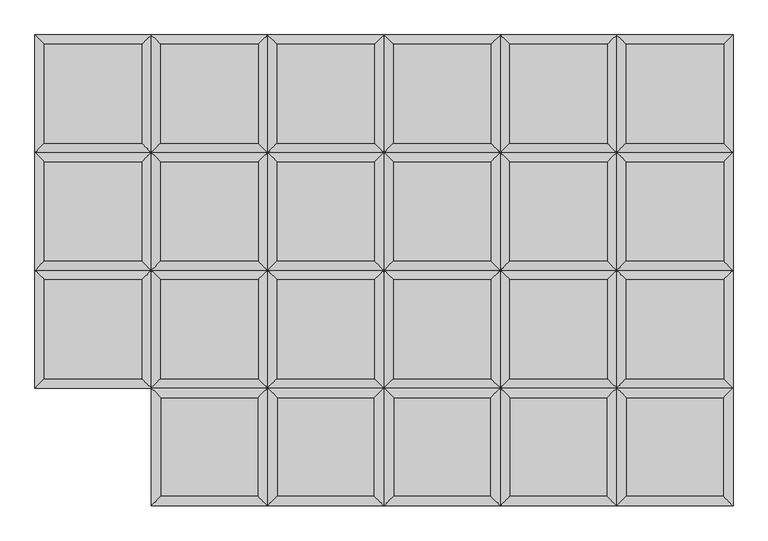
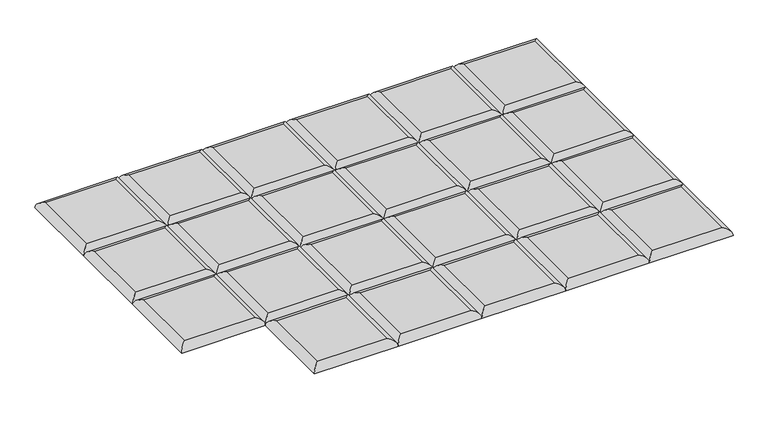
"""IFC4 building model written with IfcOpenShell, lengths in millimetres: furniture geometry."""

from ifc_helpers import new_model, si_unit, frame, origin, place, context, project, spatial, ellipse_curve, source, transform, mapped, element, save
from ifc_brep_helpers import plane_surface, cylinder_surface, advanced_brep


def furniture_bdf31593(model_context):
    return source(origin(), model_context, "Body", "AdvancedBrep", [
        advanced_brep(
        [(860.8794878, -204.2894878, 411.6605122), (860.8794878, -17.9605122, 411.6605122), (677.0905122, -17.9605122, 411.6605122), (677.0905122, -204.2894878, 411.6605122), (878.84, 0.0, 393.7), (878.84, -222.25, 393.7), (659.13, -222.25, 393.7), (659.13, 0.0, 393.7)],
        [
            (0, 1),
            (1, 2),
            (2, 3),
            (3, 0),
            (4, 5),
            (5, 6),
            (6, 7),
            (7, 4),
            (4, 1, ellipse_curve(frame((860.8794878, -17.9605122, 393.7), z_axis=(0.7071067811865475, -0.7071067811865475, 0.0), x_axis=(0.7071067811865474, 0.7071067811865476, 0.0)), 25.4, 17.9605122)),
            (0, 5, ellipse_curve(frame((860.8794878, -204.2894878, 393.7), z_axis=(0.7071067811865475, 0.7071067811865475, 0.0), x_axis=(-0.7071067811865474, 0.7071067811865476, 0.0)), 25.4, 17.9605122)),
            (3, 6, ellipse_curve(frame((677.0905122, -204.2894878, 393.7), z_axis=(0.7071067811865475, -0.7071067811865475, 0.0), x_axis=(0.7071067811865476, 0.7071067811865474, 0.0)), 25.4, 17.9605122)),
            (2, 7, ellipse_curve(frame((677.0905122, -17.9605122, 393.7), z_axis=(-0.7071067811865475, -0.7071067811865475, 0.0), x_axis=(0.7071067811865474, -0.7071067811865476, 0.0)), 25.4, 17.9605122)),
        ],
        [
            plane_surface(frame((677.0905122, -17.9605122, 411.6605122), z_axis=(0.0, 0.0, 1.0), x_axis=(-1.0, 0.0, 0.0))),
            plane_surface(frame((677.0905122, -17.9605122, 393.7), z_axis=(0.0, 0.0, -1.0), x_axis=(1.0, 0.0, 0.0))),
            cylinder_surface(frame((860.8794878, 0.0, 393.7), z_axis=(0.0, 1.0, 0.0), x_axis=(1.0, 0.0, 0.0)), 17.9605122),
            cylinder_surface(frame((878.84, -204.2894878, 393.7), z_axis=(1.0, 0.0, 0.0), x_axis=(0.0, -1.0, 0.0)), 17.9605122),
            cylinder_surface(frame((677.0905122, -222.25, 393.7), z_axis=(0.0, -1.0, 0.0), x_axis=(-1.0, 0.0, 0.0)), 17.9605122),
            cylinder_surface(frame((659.13, -17.9605122, 393.7), z_axis=(-1.0, 0.0, 0.0), x_axis=(0.0, 1.0, 0.0)), 17.9605122),
        ],
        [
            (0, [[1, 2, 3, 4]]),
            (1, [[5, 6, 7, 8]]),
            (2, [[9, -1, 10, -5]]),
            (3, [[-10, -4, 11, -6]]),
            (4, [[-11, -3, 12, -7]]),
            (5, [[-9, -8, -12, -2]]),
        ],
    ),
        advanced_brep(
        [(860.8794878, 17.9605122, 411.6605122), (860.8794878, 204.2894878, 411.6605122), (677.0905122, 204.2894878, 411.6605122), (677.0905122, 17.9605122, 411.6605122), (878.84, 222.25, 393.7), (878.84, 0.0, 393.7), (659.13, 0.0, 393.7), (659.13, 222.25, 393.7)],
        [
            (0, 1),
            (1, 2),
            (2, 3),
            (3, 0),
            (4, 5),
            (5, 6),
            (6, 7),
            (7, 4),
            (4, 1, ellipse_curve(frame((860.8794878, 204.2894878, 393.7), z_axis=(0.7071067811865475, -0.7071067811865475, 0.0), x_axis=(0.7071067811865474, 0.7071067811865476, 0.0)), 25.4, 17.9605122)),
            (0, 5, ellipse_curve(frame((860.8794878, 17.9605122, 393.7), z_axis=(0.7071067811865475, 0.7071067811865475, 0.0), x_axis=(-0.7071067811865474, 0.7071067811865476, 0.0)), 25.4, 17.9605122)),
            (3, 6, ellipse_curve(frame((677.0905122, 17.9605122, 393.7), z_axis=(0.7071067811865475, -0.7071067811865475, 0.0), x_axis=(0.7071067811865476, 0.7071067811865474, 0.0)), 25.4, 17.9605122)),
            (2, 7, ellipse_curve(frame((677.0905122, 204.2894878, 393.7), z_axis=(-0.7071067811865475, -0.7071067811865475, 0.0), x_axis=(0.7071067811865474, -0.7071067811865476, 0.0)), 25.4, 17.9605122)),
        ],
        [
            plane_surface(frame((677.0905122, 204.2894878, 411.6605122), z_axis=(0.0, 0.0, 1.0), x_axis=(-1.0, 0.0, 0.0))),
            plane_surface(frame((677.0905122, 204.2894878, 393.7), z_axis=(0.0, 0.0, -1.0), x_axis=(1.0, 0.0, 0.0))),
            cylinder_surface(frame((860.8794878, 222.25, 393.7), z_axis=(0.0, 1.0, 0.0), x_axis=(1.0, 0.0, 0.0)), 17.9605122),
            cylinder_surface(frame((878.84, 17.9605122, 393.7), z_axis=(1.0, 0.0, 0.0), x_axis=(0.0, -1.0, 0.0)), 17.9605122),
            cylinder_surface(frame((677.0905122, 0.0, 393.7), z_axis=(0.0, -1.0, 0.0), x_axis=(-1.0, 0.0, 0.0)), 17.9605122),
            cylinder_surface(frame((659.13, 204.2894878, 393.7), z_axis=(-1.0, 0.0, 0.0), x_axis=(0.0, 1.0, 0.0)), 17.9605122),
        ],
        [
            (0, [[1, 2, 3, 4]]),
            (1, [[5, 6, 7, 8]]),
            (2, [[9, -1, 10, -5]]),
            (3, [[-10, -4, 11, -6]]),
            (4, [[-11, -3, 12, -7]]),
            (5, [[-9, -8, -12, -2]]),
        ],
    ),
        advanced_brep(
        [(860.8794878, 240.2105122, 411.6605122), (860.8794878, 426.5394878, 411.6605122), (677.0905122, 426.5394878, 411.6605122), (677.0905122, 240.2105122, 411.6605122), (878.84, 444.5, 393.7), (878.84, 222.25, 393.7), (659.13, 222.25, 393.7), (659.13, 444.5, 393.7)],
        [
            (0, 1),
            (1, 2),
            (2, 3),
            (3, 0),
            (4, 5),
            (5, 6),
            (6, 7),
            (7, 4),
            (4, 1, ellipse_curve(frame((860.8794878, 426.5394878, 393.7), z_axis=(0.7071067811865475, -0.7071067811865475, 0.0), x_axis=(0.7071067811865474, 0.7071067811865476, 0.0)), 25.4, 17.9605122)),
            (0, 5, ellipse_curve(frame((860.8794878, 240.2105122, 393.7), z_axis=(0.7071067811865475, 0.7071067811865475, 0.0), x_axis=(-0.7071067811865474, 0.7071067811865476, 0.0)), 25.4, 17.9605122)),
            (3, 6, ellipse_curve(frame((677.0905122, 240.2105122, 393.7), z_axis=(0.7071067811865475, -0.7071067811865475, 0.0), x_axis=(0.7071067811865476, 0.7071067811865474, 0.0)), 25.4, 17.9605122)),
            (2, 7, ellipse_curve(frame((677.0905122, 426.5394878, 393.7), z_axis=(-0.7071067811865475, -0.7071067811865475, 0.0), x_axis=(0.7071067811865474, -0.7071067811865476, 0.0)), 25.4, 17.9605122)),
        ],
        [
            plane_surface(frame((677.0905122, 426.5394878, 411.6605122), z_axis=(0.0, 0.0, 1.0), x_axis=(-1.0, 0.0, 0.0))),
            plane_surface(frame((677.0905122, 426.5394878, 393.7), z_axis=(0.0, 0.0, -1.0), x_axis=(1.0, 0.0, 0.0))),
            cylinder_surface(frame((860.8794878, 444.5, 393.7), z_axis=(0.0, 1.0, 0.0), x_axis=(1.0, 0.0, 0.0)), 17.9605122),
            cylinder_surface(frame((878.84, 240.2105122, 393.7), z_axis=(1.0, 0.0, 0.0), x_axis=(0.0, -1.0, 0.0)), 17.9605122),
            cylinder_surface(frame((677.0905122, 222.25, 393.7), z_axis=(0.0, -1.0, 0.0), x_axis=(-1.0, 0.0, 0.0)), 17.9605122),
            cylinder_surface(frame((659.13, 426.5394878, 393.7), z_axis=(-1.0, 0.0, 0.0), x_axis=(0.0, 1.0, 0.0)), 17.9605122),
        ],
        [
            (0, [[1, 2, 3, 4]]),
            (1, [[5, 6, 7, 8]]),
            (2, [[9, -1, 10, -5]]),
            (3, [[-10, -4, 11, -6]]),
            (4, [[-11, -3, 12, -7]]),
            (5, [[-9, -8, -12, -2]]),
        ],
    ),
        advanced_brep(
        [(878.84, -222.25, 393.7), (860.8794878, -240.2105122, 411.6605122), (860.8794878, -426.5394878, 411.6605122), (878.84, -444.5, 393.7), (677.0905122, -426.5394878, 411.6605122), (659.13, -444.5, 393.7), (677.0905122, -240.2105122, 411.6605122), (659.13, -222.25, 393.7)],
        [
            (0, 1, ellipse_curve(frame((860.8794878, -240.2105122, 393.7), z_axis=(0.7071067811865475, -0.7071067811865475, 0.0), x_axis=(0.7071067811865474, 0.7071067811865476, 0.0)), 25.4, 17.9605122)),
            (1, 2),
            (2, 3, ellipse_curve(frame((860.8794878, -426.5394878, 393.7), z_axis=(0.7071067811865475, 0.7071067811865475, 0.0), x_axis=(-0.7071067811865474, 0.7071067811865476, 0.0)), 25.4, 17.9605122)),
            (3, 0),
            (2, 4),
            (4, 5, ellipse_curve(frame((677.0905122, -426.5394878, 393.7), z_axis=(0.7071067811865475, -0.7071067811865475, 0.0), x_axis=(0.7071067811865476, 0.7071067811865474, 0.0)), 25.4, 17.9605122)),
            (5, 3),
            (4, 6),
            (6, 7, ellipse_curve(frame((677.0905122, -240.2105122, 393.7), z_axis=(-0.7071067811865475, -0.7071067811865475, 0.0), x_axis=(0.7071067811865474, -0.7071067811865476, 0.0)), 25.4, 17.9605122)),
            (7, 5),
            (0, 7),
            (6, 1),
        ],
        [
            cylinder_surface(frame((860.8794878, -222.25, 393.7), z_axis=(0.0, 1.0, 0.0), x_axis=(1.0, 0.0, 0.0)), 17.9605122),
            cylinder_surface(frame((878.84, -426.5394878, 393.7), z_axis=(1.0, 0.0, 0.0), x_axis=(0.0, -1.0, 0.0)), 17.9605122),
            cylinder_surface(frame((677.0905122, -444.5, 393.7), z_axis=(0.0, -1.0, 0.0), x_axis=(-1.0, 0.0, 0.0)), 17.9605122),
            cylinder_surface(frame((659.13, -240.2105122, 393.7), z_axis=(-1.0, 0.0, 0.0), x_axis=(0.0, 1.0, 0.0)), 17.9605122),
            plane_surface(frame((659.13, -222.25, 393.7), z_axis=(0.0, 0.0, -1.0), x_axis=(1.0, 0.0, 0.0))),
            plane_surface(frame((677.0905122, -240.2105122, 411.6605122), z_axis=(0.0, 0.0, 1.0), x_axis=(-1.0, 0.0, 0.0))),
        ],
        [
            (0, [[1, 2, 3, 4]]),
            (1, [[-3, 5, 6, 7]]),
            (2, [[-6, 8, 9, 10]]),
            (3, [[-1, 11, -9, 12]]),
            (4, [[-4, -7, -10, -11]]),
            (5, [[-2, -12, -8, -5]]),
        ],
    ),
        advanced_brep(
        [(641.1694878, -204.2894878, 411.6605122), (641.1694878, -17.9605122, 411.6605122), (457.3805122, -17.9605122, 411.6605122), (457.3805122, -204.2894878, 411.6605122), (659.13, 0.0, 393.7), (659.13, -222.25, 393.7), (439.42, -222.25, 393.7), (439.42, 0.0, 393.7)],
        [
            (0, 1),
            (1, 2),
            (2, 3),
            (3, 0),
            (4, 5),
            (5, 6),
            (6, 7),
            (7, 4),
            (4, 1, ellipse_curve(frame((641.1694878, -17.9605122, 393.7), z_axis=(0.7071067811865475, -0.7071067811865475, 0.0), x_axis=(0.7071067811865474, 0.7071067811865476, 0.0)), 25.4, 17.9605122)),
            (0, 5, ellipse_curve(frame((641.1694878, -204.2894878, 393.7), z_axis=(0.7071067811865475, 0.7071067811865475, 0.0), x_axis=(-0.7071067811865474, 0.7071067811865476, 0.0)), 25.4, 17.9605122)),
            (3, 6, ellipse_curve(frame((457.3805122, -204.2894878, 393.7), z_axis=(0.7071067811865475, -0.7071067811865475, 0.0), x_axis=(0.7071067811865476, 0.7071067811865474, 0.0)), 25.4, 17.9605122)),
            (2, 7, ellipse_curve(frame((457.3805122, -17.9605122, 393.7), z_axis=(-0.7071067811865475, -0.7071067811865475, 0.0), x_axis=(0.7071067811865474, -0.7071067811865476, 0.0)), 25.4, 17.9605122)),
        ],
        [
            plane_surface(frame((457.3805122, -17.9605122, 411.6605122), z_axis=(0.0, 0.0, 1.0), x_axis=(-1.0, 0.0, 0.0))),
            plane_surface(frame((457.3805122, -17.9605122, 393.7), z_axis=(0.0, 0.0, -1.0), x_axis=(1.0, 0.0, 0.0))),
            cylinder_surface(frame((641.1694878, 0.0, 393.7), z_axis=(0.0, 1.0, 0.0), x_axis=(1.0, 0.0, 0.0)), 17.9605122),
            cylinder_surface(frame((659.13, -204.2894878, 393.7), z_axis=(1.0, 0.0, 0.0), x_axis=(0.0, -1.0, 0.0)), 17.9605122),
            cylinder_surface(frame((457.3805122, -222.25, 393.7), z_axis=(0.0, -1.0, 0.0), x_axis=(-1.0, 0.0, 0.0)), 17.9605122),
            cylinder_surface(frame((439.42, -17.9605122, 393.7), z_axis=(-1.0, 0.0, 0.0), x_axis=(0.0, 1.0, 0.0)), 17.9605122),
        ],
        [
            (0, [[1, 2, 3, 4]]),
            (1, [[5, 6, 7, 8]]),
            (2, [[9, -1, 10, -5]]),
            (3, [[-10, -4, 11, -6]]),
            (4, [[-11, -3, 12, -7]]),
            (5, [[-9, -8, -12, -2]]),
        ],
    ),
        advanced_brep(
        [(641.1694878, 17.9605122, 411.6605122), (641.1694878, 204.2894878, 411.6605122), (457.3805122, 204.2894878, 411.6605122), (457.3805122, 17.9605122, 411.6605122), (659.13, 222.25, 393.7), (659.13, 0.0, 393.7), (439.42, 0.0, 393.7), (439.42, 222.25, 393.7)],
        [
            (0, 1),
            (1, 2),
            (2, 3),
            (3, 0),
            (4, 5),
            (5, 6),
            (6, 7),
            (7, 4),
            (4, 1, ellipse_curve(frame((641.1694878, 204.2894878, 393.7), z_axis=(0.7071067811865475, -0.7071067811865475, 0.0), x_axis=(0.7071067811865474, 0.7071067811865476, 0.0)), 25.4, 17.9605122)),
            (0, 5, ellipse_curve(frame((641.1694878, 17.9605122, 393.7), z_axis=(0.7071067811865475, 0.7071067811865475, 0.0), x_axis=(-0.7071067811865474, 0.7071067811865476, 0.0)), 25.4, 17.9605122)),
            (3, 6, ellipse_curve(frame((457.3805122, 17.9605122, 393.7), z_axis=(0.7071067811865475, -0.7071067811865475, 0.0), x_axis=(0.7071067811865476, 0.7071067811865474, 0.0)), 25.4, 17.9605122)),
            (2, 7, ellipse_curve(frame((457.3805122, 204.2894878, 393.7), z_axis=(-0.7071067811865475, -0.7071067811865475, 0.0), x_axis=(0.7071067811865474, -0.7071067811865476, 0.0)), 25.4, 17.9605122)),
        ],
        [
            plane_surface(frame((457.3805122, 204.2894878, 411.6605122), z_axis=(0.0, 0.0, 1.0), x_axis=(-1.0, 0.0, 0.0))),
            plane_surface(frame((457.3805122, 204.2894878, 393.7), z_axis=(0.0, 0.0, -1.0), x_axis=(1.0, 0.0, 0.0))),
            cylinder_surface(frame((641.1694878, 222.25, 393.7), z_axis=(0.0, 1.0, 0.0), x_axis=(1.0, 0.0, 0.0)), 17.9605122),
            cylinder_surface(frame((659.13, 17.9605122, 393.7), z_axis=(1.0, 0.0, 0.0), x_axis=(0.0, -1.0, 0.0)), 17.9605122),
            cylinder_surface(frame((457.3805122, 0.0, 393.7), z_axis=(0.0, -1.0, 0.0), x_axis=(-1.0, 0.0, 0.0)), 17.9605122),
            cylinder_surface(frame((439.42, 204.2894878, 393.7), z_axis=(-1.0, 0.0, 0.0), x_axis=(0.0, 1.0, 0.0)), 17.9605122),
        ],
        [
            (0, [[1, 2, 3, 4]]),
            (1, [[5, 6, 7, 8]]),
            (2, [[9, -1, 10, -5]]),
            (3, [[-10, -4, 11, -6]]),
            (4, [[-11, -3, 12, -7]]),
            (5, [[-9, -8, -12, -2]]),
        ],
    ),
        advanced_brep(
        [(641.1694878, 240.2105122, 411.6605122), (641.1694878, 426.5394878, 411.6605122), (457.3805122, 426.5394878, 411.6605122), (457.3805122, 240.2105122, 411.6605122), (659.13, 444.5, 393.7), (659.13, 222.25, 393.7), (439.42, 222.25, 393.7), (439.42, 444.5, 393.7)],
        [
            (0, 1),
            (1, 2),
            (2, 3),
            (3, 0),
            (4, 5),
            (5, 6),
            (6, 7),
            (7, 4),
            (4, 1, ellipse_curve(frame((641.1694878, 426.5394878, 393.7), z_axis=(0.7071067811865475, -0.7071067811865475, 0.0), x_axis=(0.7071067811865474, 0.7071067811865476, 0.0)), 25.4, 17.9605122)),
            (0, 5, ellipse_curve(frame((641.1694878, 240.2105122, 393.7), z_axis=(0.7071067811865475, 0.7071067811865475, 0.0), x_axis=(-0.7071067811865474, 0.7071067811865476, 0.0)), 25.4, 17.9605122)),
            (3, 6, ellipse_curve(frame((457.3805122, 240.2105122, 393.7), z_axis=(0.7071067811865475, -0.7071067811865475, 0.0), x_axis=(0.7071067811865476, 0.7071067811865474, 0.0)), 25.4, 17.9605122)),
            (2, 7, ellipse_curve(frame((457.3805122, 426.5394878, 393.7), z_axis=(-0.7071067811865475, -0.7071067811865475, 0.0), x_axis=(0.7071067811865474, -0.7071067811865476, 0.0)), 25.4, 17.9605122)),
        ],
        [
            plane_surface(frame((457.3805122, 426.5394878, 411.6605122), z_axis=(0.0, 0.0, 1.0), x_axis=(-1.0, 0.0, 0.0))),
            plane_surface(frame((457.3805122, 426.5394878, 393.7), z_axis=(0.0, 0.0, -1.0), x_axis=(1.0, 0.0, 0.0))),
            cylinder_surface(frame((641.1694878, 444.5, 393.7), z_axis=(0.0, 1.0, 0.0), x_axis=(1.0, 0.0, 0.0)), 17.9605122),
            cylinder_surface(frame((659.13, 240.2105122, 393.7), z_axis=(1.0, 0.0, 0.0), x_axis=(0.0, -1.0, 0.0)), 17.9605122),
            cylinder_surface(frame((457.3805122, 222.25, 393.7), z_axis=(0.0, -1.0, 0.0), x_axis=(-1.0, 0.0, 0.0)), 17.9605122),
            cylinder_surface(frame((439.42, 426.5394878, 393.7), z_axis=(-1.0, 0.0, 0.0), x_axis=(0.0, 1.0, 0.0)), 17.9605122),
        ],
        [
            (0, [[1, 2, 3, 4]]),
            (1, [[5, 6, 7, 8]]),
            (2, [[9, -1, 10, -5]]),
            (3, [[-10, -4, 11, -6]]),
            (4, [[-11, -3, 12, -7]]),
            (5, [[-9, -8, -12, -2]]),
        ],
    ),
        advanced_brep(
        [(659.13, -222.25, 393.7), (641.1694878, -240.2105122, 411.6605122), (641.1694878, -426.5394878, 411.6605122), (659.13, -444.5, 393.7), (457.3805122, -426.5394878, 411.6605122), (439.42, -444.5, 393.7), (457.3805122, -240.2105122, 411.6605122), (439.42, -222.25, 393.7)],
        [
            (0, 1, ellipse_curve(frame((641.1694878, -240.2105122, 393.7), z_axis=(0.7071067811865475, -0.7071067811865475, 0.0), x_axis=(0.7071067811865474, 0.7071067811865476, 0.0)), 25.4, 17.9605122)),
            (1, 2),
            (2, 3, ellipse_curve(frame((641.1694878, -426.5394878, 393.7), z_axis=(0.7071067811865475, 0.7071067811865475, 0.0), x_axis=(-0.7071067811865474, 0.7071067811865476, 0.0)), 25.4, 17.9605122)),
            (3, 0),
            (2, 4),
            (4, 5, ellipse_curve(frame((457.3805122, -426.5394878, 393.7), z_axis=(0.7071067811865475, -0.7071067811865475, 0.0), x_axis=(0.7071067811865476, 0.7071067811865474, 0.0)), 25.4, 17.9605122)),
            (5, 3),
            (4, 6),
            (6, 7, ellipse_curve(frame((457.3805122, -240.2105122, 393.7), z_axis=(-0.7071067811865475, -0.7071067811865475, 0.0), x_axis=(0.7071067811865474, -0.7071067811865476, 0.0)), 25.4, 17.9605122)),
            (7, 5),
            (0, 7),
            (6, 1),
        ],
        [
            cylinder_surface(frame((641.1694878, -222.25, 393.7), z_axis=(0.0, 1.0, 0.0), x_axis=(1.0, 0.0, 0.0)), 17.9605122),
            cylinder_surface(frame((659.13, -426.5394878, 393.7), z_axis=(1.0, 0.0, 0.0), x_axis=(0.0, -1.0, 0.0)), 17.9605122),
            cylinder_surface(frame((457.3805122, -444.5, 393.7), z_axis=(0.0, -1.0, 0.0), x_axis=(-1.0, 0.0, 0.0)), 17.9605122),
            cylinder_surface(frame((439.42, -240.2105122, 393.7), z_axis=(-1.0, 0.0, 0.0), x_axis=(0.0, 1.0, 0.0)), 17.9605122),
            plane_surface(frame((439.42, -222.25, 393.7), z_axis=(0.0, 0.0, -1.0), x_axis=(1.0, 0.0, 0.0))),
            plane_surface(frame((457.3805122, -240.2105122, 411.6605122), z_axis=(0.0, 0.0, 1.0), x_axis=(-1.0, 0.0, 0.0))),
        ],
        [
            (0, [[1, 2, 3, 4]]),
            (1, [[-3, 5, 6, 7]]),
            (2, [[-6, 8, 9, 10]]),
            (3, [[-1, 11, -9, 12]]),
            (4, [[-4, -7, -10, -11]]),
            (5, [[-2, -12, -8, -5]]),
        ],
    ),
        advanced_brep(
        [(421.4594878, -204.2894878, 411.6605122), (421.4594878, -17.9605122, 411.6605122), (237.6705122, -17.9605122, 411.6605122), (237.6705122, -204.2894878, 411.6605122), (439.42, 0.0, 393.7), (439.42, -222.25, 393.7), (219.71, -222.25, 393.7), (219.71, 0.0, 393.7)],
        [
            (0, 1),
            (1, 2),
            (2, 3),
            (3, 0),
            (4, 5),
            (5, 6),
            (6, 7),
            (7, 4),
            (4, 1, ellipse_curve(frame((421.4594878, -17.9605122, 393.7), z_axis=(0.7071067811865475, -0.7071067811865475, 0.0), x_axis=(0.7071067811865474, 0.7071067811865476, 0.0)), 25.4, 17.9605122)),
            (0, 5, ellipse_curve(frame((421.4594878, -204.2894878, 393.7), z_axis=(0.7071067811865475, 0.7071067811865475, 0.0), x_axis=(-0.7071067811865474, 0.7071067811865476, 0.0)), 25.4, 17.9605122)),
            (3, 6, ellipse_curve(frame((237.6705122, -204.2894878, 393.7), z_axis=(0.7071067811865475, -0.7071067811865475, 0.0), x_axis=(0.7071067811865476, 0.7071067811865474, 0.0)), 25.4, 17.9605122)),
            (2, 7, ellipse_curve(frame((237.6705122, -17.9605122, 393.7), z_axis=(-0.7071067811865475, -0.7071067811865475, 0.0), x_axis=(0.7071067811865474, -0.7071067811865476, 0.0)), 25.4, 17.9605122)),
        ],
        [
            plane_surface(frame((237.6705122, -17.9605122, 411.6605122), z_axis=(0.0, 0.0, 1.0), x_axis=(-1.0, 0.0, 0.0))),
            plane_surface(frame((237.6705122, -17.9605122, 393.7), z_axis=(0.0, 0.0, -1.0), x_axis=(1.0, 0.0, 0.0))),
            cylinder_surface(frame((421.4594878, 0.0, 393.7), z_axis=(0.0, 1.0, 0.0), x_axis=(1.0, 0.0, 0.0)), 17.9605122),
            cylinder_surface(frame((439.42, -204.2894878, 393.7), z_axis=(1.0, 0.0, 0.0), x_axis=(0.0, -1.0, 0.0)), 17.9605122),
            cylinder_surface(frame((237.6705122, -222.25, 393.7), z_axis=(0.0, -1.0, 0.0), x_axis=(-1.0, 0.0, 0.0)), 17.9605122),
            cylinder_surface(frame((219.71, -17.9605122, 393.7), z_axis=(-1.0, 0.0, 0.0), x_axis=(0.0, 1.0, 0.0)), 17.9605122),
        ],
        [
            (0, [[1, 2, 3, 4]]),
            (1, [[5, 6, 7, 8]]),
            (2, [[9, -1, 10, -5]]),
            (3, [[-10, -4, 11, -6]]),
            (4, [[-11, -3, 12, -7]]),
            (5, [[-9, -8, -12, -2]]),
        ],
    ),
        advanced_brep(
        [(421.4594878, 17.9605122, 411.6605122), (421.4594878, 204.2894878, 411.6605122), (237.6705122, 204.2894878, 411.6605122), (237.6705122, 17.9605122, 411.6605122), (439.42, 222.25, 393.7), (439.42, 0.0, 393.7), (219.71, 0.0, 393.7), (219.71, 222.25, 393.7)],
        [
            (0, 1),
            (1, 2),
            (2, 3),
            (3, 0),
            (4, 5),
            (5, 6),
            (6, 7),
            (7, 4),
            (4, 1, ellipse_curve(frame((421.4594878, 204.2894878, 393.7), z_axis=(0.7071067811865475, -0.7071067811865475, 0.0), x_axis=(0.7071067811865474, 0.7071067811865476, 0.0)), 25.4, 17.9605122)),
            (0, 5, ellipse_curve(frame((421.4594878, 17.9605122, 393.7), z_axis=(0.7071067811865475, 0.7071067811865475, 0.0), x_axis=(-0.7071067811865474, 0.7071067811865476, 0.0)), 25.4, 17.9605122)),
            (3, 6, ellipse_curve(frame((237.6705122, 17.9605122, 393.7), z_axis=(0.7071067811865475, -0.7071067811865475, 0.0), x_axis=(0.7071067811865476, 0.7071067811865474, 0.0)), 25.4, 17.9605122)),
            (2, 7, ellipse_curve(frame((237.6705122, 204.2894878, 393.7), z_axis=(-0.7071067811865475, -0.7071067811865475, 0.0), x_axis=(0.7071067811865474, -0.7071067811865476, 0.0)), 25.4, 17.9605122)),
        ],
        [
            plane_surface(frame((237.6705122, 204.2894878, 411.6605122), z_axis=(0.0, 0.0, 1.0), x_axis=(-1.0, 0.0, 0.0))),
            plane_surface(frame((237.6705122, 204.2894878, 393.7), z_axis=(0.0, 0.0, -1.0), x_axis=(1.0, 0.0, 0.0))),
            cylinder_surface(frame((421.4594878, 222.25, 393.7), z_axis=(0.0, 1.0, 0.0), x_axis=(1.0, 0.0, 0.0)), 17.9605122),
            cylinder_surface(frame((439.42, 17.9605122, 393.7), z_axis=(1.0, 0.0, 0.0), x_axis=(0.0, -1.0, 0.0)), 17.9605122),
            cylinder_surface(frame((237.6705122, 0.0, 393.7), z_axis=(0.0, -1.0, 0.0), x_axis=(-1.0, 0.0, 0.0)), 17.9605122),
            cylinder_surface(frame((219.71, 204.2894878, 393.7), z_axis=(-1.0, 0.0, 0.0), x_axis=(0.0, 1.0, 0.0)), 17.9605122),
        ],
        [
            (0, [[1, 2, 3, 4]]),
            (1, [[5, 6, 7, 8]]),
            (2, [[9, -1, 10, -5]]),
            (3, [[-10, -4, 11, -6]]),
            (4, [[-11, -3, 12, -7]]),
            (5, [[-9, -8, -12, -2]]),
        ],
    ),
        advanced_brep(
        [(421.4594878, 240.2105122, 411.6605122), (421.4594878, 426.5394878, 411.6605122), (237.6705122, 426.5394878, 411.6605122), (237.6705122, 240.2105122, 411.6605122), (439.42, 444.5, 393.7), (439.42, 222.25, 393.7), (219.71, 222.25, 393.7), (219.71, 444.5, 393.7)],
        [
            (0, 1),
            (1, 2),
            (2, 3),
            (3, 0),
            (4, 5),
            (5, 6),
            (6, 7),
            (7, 4),
            (4, 1, ellipse_curve(frame((421.4594878, 426.5394878, 393.7), z_axis=(0.7071067811865475, -0.7071067811865475, 0.0), x_axis=(0.7071067811865474, 0.7071067811865476, 0.0)), 25.4, 17.9605122)),
            (0, 5, ellipse_curve(frame((421.4594878, 240.2105122, 393.7), z_axis=(0.7071067811865475, 0.7071067811865475, 0.0), x_axis=(-0.7071067811865474, 0.7071067811865476, 0.0)), 25.4, 17.9605122)),
            (3, 6, ellipse_curve(frame((237.6705122, 240.2105122, 393.7), z_axis=(0.7071067811865475, -0.7071067811865475, 0.0), x_axis=(0.7071067811865476, 0.7071067811865474, 0.0)), 25.4, 17.9605122)),
            (2, 7, ellipse_curve(frame((237.6705122, 426.5394878, 393.7), z_axis=(-0.7071067811865475, -0.7071067811865475, 0.0), x_axis=(0.7071067811865474, -0.7071067811865476, 0.0)), 25.4, 17.9605122)),
        ],
        [
            plane_surface(frame((237.6705122, 426.5394878, 411.6605122), z_axis=(0.0, 0.0, 1.0), x_axis=(-1.0, 0.0, 0.0))),
            plane_surface(frame((237.6705122, 426.5394878, 393.7), z_axis=(0.0, 0.0, -1.0), x_axis=(1.0, 0.0, 0.0))),
            cylinder_surface(frame((421.4594878, 444.5, 393.7), z_axis=(0.0, 1.0, 0.0), x_axis=(1.0, 0.0, 0.0)), 17.9605122),
            cylinder_surface(frame((439.42, 240.2105122, 393.7), z_axis=(1.0, 0.0, 0.0), x_axis=(0.0, -1.0, 0.0)), 17.9605122),
            cylinder_surface(frame((237.6705122, 222.25, 393.7), z_axis=(0.0, -1.0, 0.0), x_axis=(-1.0, 0.0, 0.0)), 17.9605122),
            cylinder_surface(frame((219.71, 426.5394878, 393.7), z_axis=(-1.0, 0.0, 0.0), x_axis=(0.0, 1.0, 0.0)), 17.9605122),
        ],
        [
            (0, [[1, 2, 3, 4]]),
            (1, [[5, 6, 7, 8]]),
            (2, [[9, -1, 10, -5]]),
            (3, [[-10, -4, 11, -6]]),
            (4, [[-11, -3, 12, -7]]),
            (5, [[-9, -8, -12, -2]]),
        ],
    ),
        advanced_brep(
        [(439.42, -222.25, 393.7), (421.4594878, -240.2105122, 411.6605122), (421.4594878, -426.5394878, 411.6605122), (439.42, -444.5, 393.7), (237.6705122, -426.5394878, 411.6605122), (219.71, -444.5, 393.7), (237.6705122, -240.2105122, 411.6605122), (219.71, -222.25, 393.7)],
        [
            (0, 1, ellipse_curve(frame((421.4594878, -240.2105122, 393.7), z_axis=(0.7071067811865475, -0.7071067811865475, 0.0), x_axis=(0.7071067811865474, 0.7071067811865476, 0.0)), 25.4, 17.9605122)),
            (1, 2),
            (2, 3, ellipse_curve(frame((421.4594878, -426.5394878, 393.7), z_axis=(0.7071067811865475, 0.7071067811865475, 0.0), x_axis=(-0.7071067811865474, 0.7071067811865476, 0.0)), 25.4, 17.9605122)),
            (3, 0),
            (2, 4),
            (4, 5, ellipse_curve(frame((237.6705122, -426.5394878, 393.7), z_axis=(0.7071067811865475, -0.7071067811865475, 0.0), x_axis=(0.7071067811865476, 0.7071067811865474, 0.0)), 25.4, 17.9605122)),
            (5, 3),
            (4, 6),
            (6, 7, ellipse_curve(frame((237.6705122, -240.2105122, 393.7), z_axis=(-0.7071067811865475, -0.7071067811865475, 0.0), x_axis=(0.7071067811865474, -0.7071067811865476, 0.0)), 25.4, 17.9605122)),
            (7, 5),
            (0, 7),
            (6, 1),
        ],
        [
            cylinder_surface(frame((421.4594878, -222.25, 393.7), z_axis=(0.0, 1.0, 0.0), x_axis=(1.0, 0.0, 0.0)), 17.9605122),
            cylinder_surface(frame((439.42, -426.5394878, 393.7), z_axis=(1.0, 0.0, 0.0), x_axis=(0.0, -1.0, 0.0)), 17.9605122),
            cylinder_surface(frame((237.6705122, -444.5, 393.7), z_axis=(0.0, -1.0, 0.0), x_axis=(-1.0, 0.0, 0.0)), 17.9605122),
            cylinder_surface(frame((219.71, -240.2105122, 393.7), z_axis=(-1.0, 0.0, 0.0), x_axis=(0.0, 1.0, 0.0)), 17.9605122),
            plane_surface(frame((219.71, -222.25, 393.7), z_axis=(0.0, 0.0, -1.0), x_axis=(1.0, 0.0, 0.0))),
            plane_surface(frame((237.6705122, -240.2105122, 411.6605122), z_axis=(0.0, 0.0, 1.0), x_axis=(-1.0, 0.0, 0.0))),
        ],
        [
            (0, [[1, 2, 3, 4]]),
            (1, [[-3, 5, 6, 7]]),
            (2, [[-6, 8, 9, 10]]),
            (3, [[-1, 11, -9, 12]]),
            (4, [[-4, -7, -10, -11]]),
            (5, [[-2, -12, -8, -5]]),
        ],
    ),
        advanced_brep(
        [(201.7494878, -204.2894878, 411.6605122), (201.7494878, -17.9605122, 411.6605122), (17.9605122, -17.9605122, 411.6605122), (17.9605122, -204.2894878, 411.6605122), (219.71, 0.0, 393.7), (219.71, -222.25, 393.7), (0.0, -222.25, 393.7), (0.0, 0.0, 393.7)],
        [
            (0, 1),
            (1, 2),
            (2, 3),
            (3, 0),
            (4, 5),
            (5, 6),
            (6, 7),
            (7, 4),
            (4, 1, ellipse_curve(frame((201.7494878, -17.9605122, 393.7), z_axis=(0.7071067811865475, -0.7071067811865475, 0.0), x_axis=(0.7071067811865474, 0.7071067811865476, 0.0)), 25.4, 17.9605122)),
            (0, 5, ellipse_curve(frame((201.7494878, -204.2894878, 393.7), z_axis=(0.7071067811865475, 0.7071067811865475, 0.0), x_axis=(-0.7071067811865474, 0.7071067811865476, 0.0)), 25.4, 17.9605122)),
            (3, 6, ellipse_curve(frame((17.9605122, -204.2894878, 393.7), z_axis=(0.7071067811865475, -0.7071067811865475, 0.0), x_axis=(0.7071067811865476, 0.7071067811865474, 0.0)), 25.4, 17.9605122)),
            (2, 7, ellipse_curve(frame((17.9605122, -17.9605122, 393.7), z_axis=(-0.7071067811865475, -0.7071067811865475, 0.0), x_axis=(0.7071067811865474, -0.7071067811865476, 0.0)), 25.4, 17.9605122)),
        ],
        [
            plane_surface(frame((17.9605122, -17.9605122, 411.6605122), z_axis=(0.0, 0.0, 1.0), x_axis=(-1.0, 0.0, 0.0))),
            plane_surface(frame((17.9605122, -17.9605122, 393.7), z_axis=(0.0, 0.0, -1.0), x_axis=(1.0, 0.0, 0.0))),
            cylinder_surface(frame((201.7494878, 0.0, 393.7), z_axis=(0.0, 1.0, 0.0), x_axis=(1.0, 0.0, 0.0)), 17.9605122),
            cylinder_surface(frame((219.71, -204.2894878, 393.7), z_axis=(1.0, 0.0, 0.0), x_axis=(0.0, -1.0, 0.0)), 17.9605122),
            cylinder_surface(frame((17.9605122, -222.25, 393.7), z_axis=(0.0, -1.0, 0.0), x_axis=(-1.0, 0.0, 0.0)), 17.9605122),
            cylinder_surface(frame((0.0, -17.9605122, 393.7), z_axis=(-1.0, 0.0, 0.0), x_axis=(0.0, 1.0, 0.0)), 17.9605122),
        ],
        [
            (0, [[1, 2, 3, 4]]),
            (1, [[5, 6, 7, 8]]),
            (2, [[9, -1, 10, -5]]),
            (3, [[-10, -4, 11, -6]]),
            (4, [[-11, -3, 12, -7]]),
            (5, [[-9, -8, -12, -2]]),
        ],
    ),
        advanced_brep(
        [(201.7494878, 17.9605122, 411.6605122), (201.7494878, 204.2894878, 411.6605122), (17.9605122, 204.2894878, 411.6605122), (17.9605122, 17.9605122, 411.6605122), (219.71, 222.25, 393.7), (219.71, 0.0, 393.7), (0.0, 0.0, 393.7), (0.0, 222.25, 393.7)],
        [
            (0, 1),
            (1, 2),
            (2, 3),
            (3, 0),
            (4, 5),
            (5, 6),
            (6, 7),
            (7, 4),
            (4, 1, ellipse_curve(frame((201.7494878, 204.2894878, 393.7), z_axis=(0.7071067811865475, -0.7071067811865475, 0.0), x_axis=(0.7071067811865474, 0.7071067811865476, 0.0)), 25.4, 17.9605122)),
            (0, 5, ellipse_curve(frame((201.7494878, 17.9605122, 393.7), z_axis=(0.7071067811865475, 0.7071067811865475, 0.0), x_axis=(-0.7071067811865474, 0.7071067811865476, 0.0)), 25.4, 17.9605122)),
            (3, 6, ellipse_curve(frame((17.9605122, 17.9605122, 393.7), z_axis=(0.7071067811865475, -0.7071067811865475, 0.0), x_axis=(0.7071067811865476, 0.7071067811865474, 0.0)), 25.4, 17.9605122)),
            (2, 7, ellipse_curve(frame((17.9605122, 204.2894878, 393.7), z_axis=(-0.7071067811865475, -0.7071067811865475, 0.0), x_axis=(0.7071067811865474, -0.7071067811865476, 0.0)), 25.4, 17.9605122)),
        ],
        [
            plane_surface(frame((17.9605122, 204.2894878, 411.6605122), z_axis=(0.0, 0.0, 1.0), x_axis=(-1.0, 0.0, 0.0))),
            plane_surface(frame((17.9605122, 204.2894878, 393.7), z_axis=(0.0, 0.0, -1.0), x_axis=(1.0, 0.0, 0.0))),
            cylinder_surface(frame((201.7494878, 222.25, 393.7), z_axis=(0.0, 1.0, 0.0), x_axis=(1.0, 0.0, 0.0)), 17.9605122),
            cylinder_surface(frame((219.71, 17.9605122, 393.7), z_axis=(1.0, 0.0, 0.0), x_axis=(0.0, -1.0, 0.0)), 17.9605122),
            cylinder_surface(frame((17.9605122, 0.0, 393.7), z_axis=(0.0, -1.0, 0.0), x_axis=(-1.0, 0.0, 0.0)), 17.9605122),
            cylinder_surface(frame((0.0, 204.2894878, 393.7), z_axis=(-1.0, 0.0, 0.0), x_axis=(0.0, 1.0, 0.0)), 17.9605122),
        ],
        [
            (0, [[1, 2, 3, 4]]),
            (1, [[5, 6, 7, 8]]),
            (2, [[9, -1, 10, -5]]),
            (3, [[-10, -4, 11, -6]]),
            (4, [[-11, -3, 12, -7]]),
            (5, [[-9, -8, -12, -2]]),
        ],
    ),
        advanced_brep(
        [(201.7494878, 240.2105122, 411.6605122), (201.7494878, 426.5394878, 411.6605122), (17.9605122, 426.5394878, 411.6605122), (17.9605122, 240.2105122, 411.6605122), (219.71, 444.5, 393.7), (219.71, 222.25, 393.7), (0.0, 222.25, 393.7), (0.0, 444.5, 393.7)],
        [
            (0, 1),
            (1, 2),
            (2, 3),
            (3, 0),
            (4, 5),
            (5, 6),
            (6, 7),
            (7, 4),
            (4, 1, ellipse_curve(frame((201.7494878, 426.5394878, 393.7), z_axis=(0.7071067811865475, -0.7071067811865475, 0.0), x_axis=(0.7071067811865474, 0.7071067811865476, 0.0)), 25.4, 17.9605122)),
            (0, 5, ellipse_curve(frame((201.7494878, 240.2105122, 393.7), z_axis=(0.7071067811865475, 0.7071067811865475, 0.0), x_axis=(-0.7071067811865474, 0.7071067811865476, 0.0)), 25.4, 17.9605122)),
            (3, 6, ellipse_curve(frame((17.9605122, 240.2105122, 393.7), z_axis=(0.7071067811865475, -0.7071067811865475, 0.0), x_axis=(0.7071067811865476, 0.7071067811865474, 0.0)), 25.4, 17.9605122)),
            (2, 7, ellipse_curve(frame((17.9605122, 426.5394878, 393.7), z_axis=(-0.7071067811865475, -0.7071067811865475, 0.0), x_axis=(0.7071067811865474, -0.7071067811865476, 0.0)), 25.4, 17.9605122)),
        ],
        [
            plane_surface(frame((17.9605122, 426.5394878, 411.6605122), z_axis=(0.0, 0.0, 1.0), x_axis=(-1.0, 0.0, 0.0))),
            plane_surface(frame((17.9605122, 426.5394878, 393.7), z_axis=(0.0, 0.0, -1.0), x_axis=(1.0, 0.0, 0.0))),
            cylinder_surface(frame((201.7494878, 444.5, 393.7), z_axis=(0.0, 1.0, 0.0), x_axis=(1.0, 0.0, 0.0)), 17.9605122),
            cylinder_surface(frame((219.71, 240.2105122, 393.7), z_axis=(1.0, 0.0, 0.0), x_axis=(0.0, -1.0, 0.0)), 17.9605122),
            cylinder_surface(frame((17.9605122, 222.25, 393.7), z_axis=(0.0, -1.0, 0.0), x_axis=(-1.0, 0.0, 0.0)), 17.9605122),
            cylinder_surface(frame((0.0, 426.5394878, 393.7), z_axis=(-1.0, 0.0, 0.0), x_axis=(0.0, 1.0, 0.0)), 17.9605122),
        ],
        [
            (0, [[1, 2, 3, 4]]),
            (1, [[5, 6, 7, 8]]),
            (2, [[9, -1, 10, -5]]),
            (3, [[-10, -4, 11, -6]]),
            (4, [[-11, -3, 12, -7]]),
            (5, [[-9, -8, -12, -2]]),
        ],
    ),
        advanced_brep(
        [(219.71, -222.25, 393.7), (201.7494878, -240.2105122, 411.6605122), (201.7494878, -426.5394878, 411.6605122), (219.71, -444.5, 393.7), (17.9605122, -426.5394878, 411.6605122), (0.0, -444.5, 393.7), (17.9605122, -240.2105122, 411.6605122), (0.0, -222.25, 393.7)],
        [
            (0, 1, ellipse_curve(frame((201.7494878, -240.2105122, 393.7), z_axis=(0.7071067811865475, -0.7071067811865475, 0.0), x_axis=(0.7071067811865474, 0.7071067811865476, 0.0)), 25.4, 17.9605122)),
            (1, 2),
            (2, 3, ellipse_curve(frame((201.7494878, -426.5394878, 393.7), z_axis=(0.7071067811865475, 0.7071067811865475, 0.0), x_axis=(-0.7071067811865474, 0.7071067811865476, 0.0)), 25.4, 17.9605122)),
            (3, 0),
            (2, 4),
            (4, 5, ellipse_curve(frame((17.9605122, -426.5394878, 393.7), z_axis=(0.7071067811865475, -0.7071067811865475, 0.0), x_axis=(0.7071067811865476, 0.7071067811865474, 0.0)), 25.4, 17.9605122)),
            (5, 3),
            (4, 6),
            (6, 7, ellipse_curve(frame((17.9605122, -240.2105122, 393.7), z_axis=(-0.7071067811865475, -0.7071067811865475, 0.0), x_axis=(0.7071067811865474, -0.7071067811865476, 0.0)), 25.4, 17.9605122)),
            (7, 5),
            (0, 7),
            (6, 1),
        ],
        [
            cylinder_surface(frame((201.7494878, -222.25, 393.7), z_axis=(0.0, 1.0, 0.0), x_axis=(1.0, 0.0, 0.0)), 17.9605122),
            cylinder_surface(frame((219.71, -426.5394878, 393.7), z_axis=(1.0, 0.0, 0.0), x_axis=(0.0, -1.0, 0.0)), 17.9605122),
            cylinder_surface(frame((17.9605122, -444.5, 393.7), z_axis=(0.0, -1.0, 0.0), x_axis=(-1.0, 0.0, 0.0)), 17.9605122),
            cylinder_surface(frame((0.0, -240.2105122, 393.7), z_axis=(-1.0, 0.0, 0.0), x_axis=(0.0, 1.0, 0.0)), 17.9605122),
            plane_surface(frame((0.0, -222.25, 393.7), z_axis=(0.0, 0.0, -1.0), x_axis=(1.0, 0.0, 0.0))),
            plane_surface(frame((17.9605122, -240.2105122, 411.6605122), z_axis=(0.0, 0.0, 1.0), x_axis=(-1.0, 0.0, 0.0))),
        ],
        [
            (0, [[1, 2, 3, 4]]),
            (1, [[-3, 5, 6, 7]]),
            (2, [[-6, 8, 9, 10]]),
            (3, [[-1, 11, -9, 12]]),
            (4, [[-4, -7, -10, -11]]),
            (5, [[-2, -12, -8, -5]]),
        ],
    ),
        advanced_brep(
        [(-17.9605122, -204.2894878, 411.6605122), (-17.9605122, -17.9605122, 411.6605122), (-201.7494878, -17.9605122, 411.6605122), (-201.7494878, -204.2894878, 411.6605122), (0.0, 0.0, 393.7), (0.0, -222.25, 393.7), (-219.71, -222.25, 393.7), (-219.71, 0.0, 393.7)],
        [
            (0, 1),
            (1, 2),
            (2, 3),
            (3, 0),
            (4, 5),
            (5, 6),
            (6, 7),
            (7, 4),
            (4, 1, ellipse_curve(frame((-17.9605122, -17.9605122, 393.7), z_axis=(0.7071067811865475, -0.7071067811865475, 0.0), x_axis=(0.7071067811865474, 0.7071067811865476, 0.0)), 25.4, 17.9605122)),
            (0, 5, ellipse_curve(frame((-17.9605122, -204.2894878, 393.7), z_axis=(0.7071067811865475, 0.7071067811865475, 0.0), x_axis=(-0.7071067811865474, 0.7071067811865476, 0.0)), 25.4, 17.9605122)),
            (3, 6, ellipse_curve(frame((-201.7494878, -204.2894878, 393.7), z_axis=(0.7071067811865475, -0.7071067811865475, 0.0), x_axis=(0.7071067811865476, 0.7071067811865474, 0.0)), 25.4, 17.9605122)),
            (2, 7, ellipse_curve(frame((-201.7494878, -17.9605122, 393.7), z_axis=(-0.7071067811865475, -0.7071067811865475, 0.0), x_axis=(0.7071067811865474, -0.7071067811865476, 0.0)), 25.4, 17.9605122)),
        ],
        [
            plane_surface(frame((-201.7494878, -17.9605122, 411.6605122), z_axis=(0.0, 0.0, 1.0), x_axis=(-1.0, 0.0, 0.0))),
            plane_surface(frame((-201.7494878, -17.9605122, 393.7), z_axis=(0.0, 0.0, -1.0), x_axis=(1.0, 0.0, 0.0))),
            cylinder_surface(frame((-17.9605122, 0.0, 393.7), z_axis=(0.0, 1.0, 0.0), x_axis=(1.0, 0.0, 0.0)), 17.9605122),
            cylinder_surface(frame((0.0, -204.2894878, 393.7), z_axis=(1.0, 0.0, 0.0), x_axis=(0.0, -1.0, 0.0)), 17.9605122),
            cylinder_surface(frame((-201.7494878, -222.25, 393.7), z_axis=(0.0, -1.0, 0.0), x_axis=(-1.0, 0.0, 0.0)), 17.9605122),
            cylinder_surface(frame((-219.71, -17.9605122, 393.7), z_axis=(-1.0, 0.0, 0.0), x_axis=(0.0, 1.0, 0.0)), 17.9605122),
        ],
        [
            (0, [[1, 2, 3, 4]]),
            (1, [[5, 6, 7, 8]]),
            (2, [[9, -1, 10, -5]]),
            (3, [[-10, -4, 11, -6]]),
            (4, [[-11, -3, 12, -7]]),
            (5, [[-9, -8, -12, -2]]),
        ],
    ),
        advanced_brep(
        [(-17.9605122, 17.9605122, 411.6605122), (-17.9605122, 204.2894878, 411.6605122), (-201.7494878, 204.2894878, 411.6605122), (-201.7494878, 17.9605122, 411.6605122), (0.0, 222.25, 393.7), (0.0, 0.0, 393.7), (-219.71, 0.0, 393.7), (-219.71, 222.25, 393.7)],
        [
            (0, 1),
            (1, 2),
            (2, 3),
            (3, 0),
            (4, 5),
            (5, 6),
            (6, 7),
            (7, 4),
            (4, 1, ellipse_curve(frame((-17.9605122, 204.2894878, 393.7), z_axis=(0.7071067811865475, -0.7071067811865475, 0.0), x_axis=(0.7071067811865474, 0.7071067811865476, 0.0)), 25.4, 17.9605122)),
            (0, 5, ellipse_curve(frame((-17.9605122, 17.9605122, 393.7), z_axis=(0.7071067811865475, 0.7071067811865475, 0.0), x_axis=(-0.7071067811865474, 0.7071067811865476, 0.0)), 25.4, 17.9605122)),
            (3, 6, ellipse_curve(frame((-201.7494878, 17.9605122, 393.7), z_axis=(0.7071067811865475, -0.7071067811865475, 0.0), x_axis=(0.7071067811865476, 0.7071067811865474, 0.0)), 25.4, 17.9605122)),
            (2, 7, ellipse_curve(frame((-201.7494878, 204.2894878, 393.7), z_axis=(-0.7071067811865475, -0.7071067811865475, 0.0), x_axis=(0.7071067811865474, -0.7071067811865476, 0.0)), 25.4, 17.9605122)),
        ],
        [
            plane_surface(frame((-201.7494878, 204.2894878, 411.6605122), z_axis=(0.0, 0.0, 1.0), x_axis=(-1.0, 0.0, 0.0))),
            plane_surface(frame((-201.7494878, 204.2894878, 393.7), z_axis=(0.0, 0.0, -1.0), x_axis=(1.0, 0.0, 0.0))),
            cylinder_surface(frame((-17.9605122, 222.25, 393.7), z_axis=(0.0, 1.0, 0.0), x_axis=(1.0, 0.0, 0.0)), 17.9605122),
            cylinder_surface(frame((0.0, 17.9605122, 393.7), z_axis=(1.0, 0.0, 0.0), x_axis=(0.0, -1.0, 0.0)), 17.9605122),
            cylinder_surface(frame((-201.7494878, 0.0, 393.7), z_axis=(0.0, -1.0, 0.0), x_axis=(-1.0, 0.0, 0.0)), 17.9605122),
            cylinder_surface(frame((-219.71, 204.2894878, 393.7), z_axis=(-1.0, 0.0, 0.0), x_axis=(0.0, 1.0, 0.0)), 17.9605122),
        ],
        [
            (0, [[1, 2, 3, 4]]),
            (1, [[5, 6, 7, 8]]),
            (2, [[9, -1, 10, -5]]),
            (3, [[-10, -4, 11, -6]]),
            (4, [[-11, -3, 12, -7]]),
            (5, [[-9, -8, -12, -2]]),
        ],
    ),
        advanced_brep(
        [(-17.9605122, 240.2105122, 411.6605122), (-17.9605122, 426.5394878, 411.6605122), (-201.7494878, 426.5394878, 411.6605122), (-201.7494878, 240.2105122, 411.6605122), (0.0, 444.5, 393.7), (0.0, 222.25, 393.7), (-219.71, 222.25, 393.7), (-219.71, 444.5, 393.7)],
        [
            (0, 1),
            (1, 2),
            (2, 3),
            (3, 0),
            (4, 5),
            (5, 6),
            (6, 7),
            (7, 4),
            (4, 1, ellipse_curve(frame((-17.9605122, 426.5394878, 393.7), z_axis=(0.7071067811865475, -0.7071067811865475, 0.0), x_axis=(0.7071067811865474, 0.7071067811865476, 0.0)), 25.4, 17.9605122)),
            (0, 5, ellipse_curve(frame((-17.9605122, 240.2105122, 393.7), z_axis=(0.7071067811865475, 0.7071067811865475, 0.0), x_axis=(-0.7071067811865474, 0.7071067811865476, 0.0)), 25.4, 17.9605122)),
            (3, 6, ellipse_curve(frame((-201.7494878, 240.2105122, 393.7), z_axis=(0.7071067811865475, -0.7071067811865475, 0.0), x_axis=(0.7071067811865476, 0.7071067811865474, 0.0)), 25.4, 17.9605122)),
            (2, 7, ellipse_curve(frame((-201.7494878, 426.5394878, 393.7), z_axis=(-0.7071067811865475, -0.7071067811865475, 0.0), x_axis=(0.7071067811865474, -0.7071067811865476, 0.0)), 25.4, 17.9605122)),
        ],
        [
            plane_surface(frame((-201.7494878, 426.5394878, 411.6605122), z_axis=(0.0, 0.0, 1.0), x_axis=(-1.0, 0.0, 0.0))),
            plane_surface(frame((-201.7494878, 426.5394878, 393.7), z_axis=(0.0, 0.0, -1.0), x_axis=(1.0, 0.0, 0.0))),
            cylinder_surface(frame((-17.9605122, 444.5, 393.7), z_axis=(0.0, 1.0, 0.0), x_axis=(1.0, 0.0, 0.0)), 17.9605122),
            cylinder_surface(frame((0.0, 240.2105122, 393.7), z_axis=(1.0, 0.0, 0.0), x_axis=(0.0, -1.0, 0.0)), 17.9605122),
            cylinder_surface(frame((-201.7494878, 222.25, 393.7), z_axis=(0.0, -1.0, 0.0), x_axis=(-1.0, 0.0, 0.0)), 17.9605122),
            cylinder_surface(frame((-219.71, 426.5394878, 393.7), z_axis=(-1.0, 0.0, 0.0), x_axis=(0.0, 1.0, 0.0)), 17.9605122),
        ],
        [
            (0, [[1, 2, 3, 4]]),
            (1, [[5, 6, 7, 8]]),
            (2, [[9, -1, 10, -5]]),
            (3, [[-10, -4, 11, -6]]),
            (4, [[-11, -3, 12, -7]]),
            (5, [[-9, -8, -12, -2]]),
        ],
    ),
        advanced_brep(
        [(0.0, -222.25, 393.7), (-17.9605122, -240.2105122, 411.6605122), (-17.9605122, -426.5394878, 411.6605122), (0.0, -444.5, 393.7), (-201.7494878, -426.5394878, 411.6605122), (-219.71, -444.5, 393.7), (-201.7494878, -240.2105122, 411.6605122), (-219.71, -222.25, 393.7)],
        [
            (0, 1, ellipse_curve(frame((-17.9605122, -240.2105122, 393.7), z_axis=(0.7071067811865475, -0.7071067811865475, 0.0), x_axis=(0.7071067811865474, 0.7071067811865476, 0.0)), 25.4, 17.9605122)),
            (1, 2),
            (2, 3, ellipse_curve(frame((-17.9605122, -426.5394878, 393.7), z_axis=(0.7071067811865475, 0.7071067811865475, 0.0), x_axis=(-0.7071067811865474, 0.7071067811865476, 0.0)), 25.4, 17.9605122)),
            (3, 0),
            (2, 4),
            (4, 5, ellipse_curve(frame((-201.7494878, -426.5394878, 393.7), z_axis=(0.7071067811865475, -0.7071067811865475, 0.0), x_axis=(0.7071067811865476, 0.7071067811865474, 0.0)), 25.4, 17.9605122)),
            (5, 3),
            (4, 6),
            (6, 7, ellipse_curve(frame((-201.7494878, -240.2105122, 393.7), z_axis=(-0.7071067811865475, -0.7071067811865475, 0.0), x_axis=(0.7071067811865474, -0.7071067811865476, 0.0)), 25.4, 17.9605122)),
            (7, 5),
            (0, 7),
            (6, 1),
        ],
        [
            cylinder_surface(frame((-17.9605122, -222.25, 393.7), z_axis=(0.0, 1.0, 0.0), x_axis=(1.0, 0.0, 0.0)), 17.9605122),
            cylinder_surface(frame((0.0, -426.5394878, 393.7), z_axis=(1.0, 0.0, 0.0), x_axis=(0.0, -1.0, 0.0)), 17.9605122),
            cylinder_surface(frame((-201.7494878, -444.5, 393.7), z_axis=(0.0, -1.0, 0.0), x_axis=(-1.0, 0.0, 0.0)), 17.9605122),
            cylinder_surface(frame((-219.71, -240.2105122, 393.7), z_axis=(-1.0, 0.0, 0.0), x_axis=(0.0, 1.0, 0.0)), 17.9605122),
            plane_surface(frame((-219.71, -222.25, 393.7), z_axis=(0.0, 0.0, -1.0), x_axis=(1.0, 0.0, 0.0))),
            plane_surface(frame((-201.7494878, -240.2105122, 411.6605122), z_axis=(0.0, 0.0, 1.0), x_axis=(-1.0, 0.0, 0.0))),
        ],
        [
            (0, [[1, 2, 3, 4]]),
            (1, [[-3, 5, 6, 7]]),
            (2, [[-6, 8, 9, 10]]),
            (3, [[-1, 11, -9, 12]]),
            (4, [[-4, -7, -10, -11]]),
            (5, [[-2, -12, -8, -5]]),
        ],
    ),
        advanced_brep(
        [(-237.6705122, -204.2894878, 411.6605122), (-237.6705122, -17.9605122, 411.6605122), (-421.4594878, -17.9605122, 411.6605122), (-421.4594878, -204.2894878, 411.6605122), (-219.71, 0.0, 393.7), (-219.71, -222.25, 393.7), (-439.42, -222.25, 393.7), (-439.42, 0.0, 393.7)],
        [
            (0, 1),
            (1, 2),
            (2, 3),
            (3, 0),
            (4, 5),
            (5, 6),
            (6, 7),
            (7, 4),
            (4, 1, ellipse_curve(frame((-237.6705122, -17.9605122, 393.7), z_axis=(0.7071067811865475, -0.7071067811865475, 0.0), x_axis=(0.7071067811865474, 0.7071067811865476, 0.0)), 25.4, 17.9605122)),
            (0, 5, ellipse_curve(frame((-237.6705122, -204.2894878, 393.7), z_axis=(0.7071067811865475, 0.7071067811865475, 0.0), x_axis=(-0.7071067811865474, 0.7071067811865476, 0.0)), 25.4, 17.9605122)),
            (3, 6, ellipse_curve(frame((-421.4594878, -204.2894878, 393.7), z_axis=(0.7071067811865475, -0.7071067811865475, 0.0), x_axis=(0.7071067811865476, 0.7071067811865474, 0.0)), 25.4, 17.9605122)),
            (2, 7, ellipse_curve(frame((-421.4594878, -17.9605122, 393.7), z_axis=(-0.7071067811865475, -0.7071067811865475, 0.0), x_axis=(0.7071067811865474, -0.7071067811865476, 0.0)), 25.4, 17.9605122)),
        ],
        [
            plane_surface(frame((-421.4594878, -17.9605122, 411.6605122), z_axis=(0.0, 0.0, 1.0), x_axis=(-1.0, 0.0, 0.0))),
            plane_surface(frame((-421.4594878, -17.9605122, 393.7), z_axis=(0.0, 0.0, -1.0), x_axis=(1.0, 0.0, 0.0))),
            cylinder_surface(frame((-237.6705122, 0.0, 393.7), z_axis=(0.0, 1.0, 0.0), x_axis=(1.0, 0.0, 0.0)), 17.9605122),
            cylinder_surface(frame((-219.71, -204.2894878, 393.7), z_axis=(1.0, 0.0, 0.0), x_axis=(0.0, -1.0, 0.0)), 17.9605122),
            cylinder_surface(frame((-421.4594878, -222.25, 393.7), z_axis=(0.0, -1.0, 0.0), x_axis=(-1.0, 0.0, 0.0)), 17.9605122),
            cylinder_surface(frame((-439.42, -17.9605122, 393.7), z_axis=(-1.0, 0.0, 0.0), x_axis=(0.0, 1.0, 0.0)), 17.9605122),
        ],
        [
            (0, [[1, 2, 3, 4]]),
            (1, [[5, 6, 7, 8]]),
            (2, [[9, -1, 10, -5]]),
            (3, [[-10, -4, 11, -6]]),
            (4, [[-11, -3, 12, -7]]),
            (5, [[-9, -8, -12, -2]]),
        ],
    ),
        advanced_brep(
        [(-237.6705122, 17.9605122, 411.6605122), (-237.6705122, 204.2894878, 411.6605122), (-421.4594878, 204.2894878, 411.6605122), (-421.4594878, 17.9605122, 411.6605122), (-219.71, 222.25, 393.7), (-219.71, 0.0, 393.7), (-439.42, 0.0, 393.7), (-439.42, 222.25, 393.7)],
        [
            (0, 1),
            (1, 2),
            (2, 3),
            (3, 0),
            (4, 5),
            (5, 6),
            (6, 7),
            (7, 4),
            (4, 1, ellipse_curve(frame((-237.6705122, 204.2894878, 393.7), z_axis=(0.7071067811865475, -0.7071067811865475, 0.0), x_axis=(0.7071067811865474, 0.7071067811865476, 0.0)), 25.4, 17.9605122)),
            (0, 5, ellipse_curve(frame((-237.6705122, 17.9605122, 393.7), z_axis=(0.7071067811865475, 0.7071067811865475, 0.0), x_axis=(-0.7071067811865474, 0.7071067811865476, 0.0)), 25.4, 17.9605122)),
            (3, 6, ellipse_curve(frame((-421.4594878, 17.9605122, 393.7), z_axis=(0.7071067811865475, -0.7071067811865475, 0.0), x_axis=(0.7071067811865476, 0.7071067811865474, 0.0)), 25.4, 17.9605122)),
            (2, 7, ellipse_curve(frame((-421.4594878, 204.2894878, 393.7), z_axis=(-0.7071067811865475, -0.7071067811865475, 0.0), x_axis=(0.7071067811865474, -0.7071067811865476, 0.0)), 25.4, 17.9605122)),
        ],
        [
            plane_surface(frame((-421.4594878, 204.2894878, 411.6605122), z_axis=(0.0, 0.0, 1.0), x_axis=(-1.0, 0.0, 0.0))),
            plane_surface(frame((-421.4594878, 204.2894878, 393.7), z_axis=(0.0, 0.0, -1.0), x_axis=(1.0, 0.0, 0.0))),
            cylinder_surface(frame((-237.6705122, 222.25, 393.7), z_axis=(0.0, 1.0, 0.0), x_axis=(1.0, 0.0, 0.0)), 17.9605122),
            cylinder_surface(frame((-219.71, 17.9605122, 393.7), z_axis=(1.0, 0.0, 0.0), x_axis=(0.0, -1.0, 0.0)), 17.9605122),
            cylinder_surface(frame((-421.4594878, 0.0, 393.7), z_axis=(0.0, -1.0, 0.0), x_axis=(-1.0, 0.0, 0.0)), 17.9605122),
            cylinder_surface(frame((-439.42, 204.2894878, 393.7), z_axis=(-1.0, 0.0, 0.0), x_axis=(0.0, 1.0, 0.0)), 17.9605122),
        ],
        [
            (0, [[1, 2, 3, 4]]),
            (1, [[5, 6, 7, 8]]),
            (2, [[9, -1, 10, -5]]),
            (3, [[-10, -4, 11, -6]]),
            (4, [[-11, -3, 12, -7]]),
            (5, [[-9, -8, -12, -2]]),
        ],
    ),
        advanced_brep(
        [(-237.6705122, 240.2105122, 411.6605122), (-237.6705122, 426.5394878, 411.6605122), (-421.4594878, 426.5394878, 411.6605122), (-421.4594878, 240.2105122, 411.6605122), (-219.71, 444.5, 393.7), (-219.71, 222.25, 393.7), (-439.42, 222.25, 393.7), (-439.42, 444.5, 393.7)],
        [
            (0, 1),
            (1, 2),
            (2, 3),
            (3, 0),
            (4, 5),
            (5, 6),
            (6, 7),
            (7, 4),
            (4, 1, ellipse_curve(frame((-237.6705122, 426.5394878, 393.7), z_axis=(0.7071067811865475, -0.7071067811865475, 0.0), x_axis=(0.7071067811865474, 0.7071067811865476, 0.0)), 25.4, 17.9605122)),
            (0, 5, ellipse_curve(frame((-237.6705122, 240.2105122, 393.7), z_axis=(0.7071067811865475, 0.7071067811865475, 0.0), x_axis=(-0.7071067811865474, 0.7071067811865476, 0.0)), 25.4, 17.9605122)),
            (3, 6, ellipse_curve(frame((-421.4594878, 240.2105122, 393.7), z_axis=(0.7071067811865475, -0.7071067811865475, 0.0), x_axis=(0.7071067811865476, 0.7071067811865474, 0.0)), 25.4, 17.9605122)),
            (2, 7, ellipse_curve(frame((-421.4594878, 426.5394878, 393.7), z_axis=(-0.7071067811865475, -0.7071067811865475, 0.0), x_axis=(0.7071067811865474, -0.7071067811865476, 0.0)), 25.4, 17.9605122)),
        ],
        [
            plane_surface(frame((-421.4594878, 426.5394878, 411.6605122), z_axis=(0.0, 0.0, 1.0), x_axis=(-1.0, 0.0, 0.0))),
            plane_surface(frame((-421.4594878, 426.5394878, 393.7), z_axis=(0.0, 0.0, -1.0), x_axis=(1.0, 0.0, 0.0))),
            cylinder_surface(frame((-237.6705122, 444.5, 393.7), z_axis=(0.0, 1.0, 0.0), x_axis=(1.0, 0.0, 0.0)), 17.9605122),
            cylinder_surface(frame((-219.71, 240.2105122, 393.7), z_axis=(1.0, 0.0, 0.0), x_axis=(0.0, -1.0, 0.0)), 17.9605122),
            cylinder_surface(frame((-421.4594878, 222.25, 393.7), z_axis=(0.0, -1.0, 0.0), x_axis=(-1.0, 0.0, 0.0)), 17.9605122),
            cylinder_surface(frame((-439.42, 426.5394878, 393.7), z_axis=(-1.0, 0.0, 0.0), x_axis=(0.0, 1.0, 0.0)), 17.9605122),
        ],
        [
            (0, [[1, 2, 3, 4]]),
            (1, [[5, 6, 7, 8]]),
            (2, [[9, -1, 10, -5]]),
            (3, [[-10, -4, 11, -6]]),
            (4, [[-11, -3, 12, -7]]),
            (5, [[-9, -8, -12, -2]]),
        ],
    ),
    ])


if __name__ == "__main__":
    model = new_model("IFC4")
    model_context = context("Model", 3, world=origin())
    ifc_project = project(units=[si_unit("LENGTHUNIT", "METRE", prefix="MILLI")], contexts=[model_context])
    site = spatial("IfcSite", under=ifc_project)
    building = spatial("IfcBuilding", under=site)
    placement = place(None, origin())
    furniture_shape = furniture_bdf31593(model_context)
    element("IfcFurniture", 1, at=placement, inside=building, context=model_context, shape_type="MappedRepresentation", body=[
        mapped(furniture_shape, transform((0.0, 0.0, 0.0), x_axis=(1.0, 0.0, 0.0), y_axis=(0.0, 1.0, 0.0), z_axis=(0.0, 0.0, 1.0))),
    ])
    save(model, "model.ifc")
